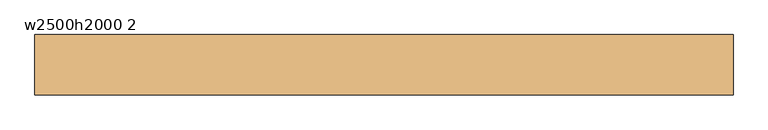
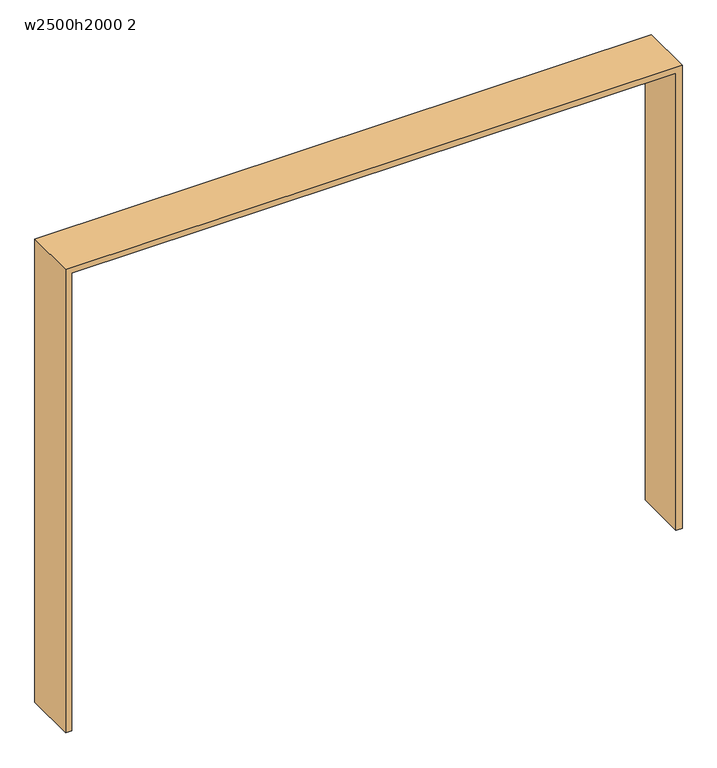
"""IFC4 building model written with IfcOpenShell, lengths in millimetres: door geometry, w2500h2000 2."""

from ifc_helpers import new_model, si_unit, frame, origin, place, context, project, spatial, polyline, outline, extrude, source, transform, mapped, element, save


def w2500h2000_2_3d9daec4(model_context):
    return source(origin(), model_context, "Body", "SweptSolid", [
        extrude(outline(polyline([(0.0, -1275.0), (0.0, -1250.0), (2000.0, -1250.0), (2000.0, 1250.0), (0.0, 1250.0), (0.0, 1275.0), (2025.0, 1275.0), (2025.0, -1275.0), (0.0, -1275.0)])), frame((0.0, -110.0, 0.0), z_axis=(0.0, 1.0, 0.0), x_axis=(0.0, 0.0, 1.0)), (0.0, 0.0, 1.0), 220.0),
    ])


if __name__ == "__main__":
    model = new_model("IFC4")
    model_context = context("Model", 3, world=origin())
    ifc_project = project(units=[si_unit("LENGTHUNIT", "METRE", prefix="MILLI")], contexts=[model_context])
    site = spatial("IfcSite", under=ifc_project)
    building = spatial("IfcBuilding", under=site)
    placement = place(None, origin())
    w2500h2000_2_shape = w2500h2000_2_3d9daec4(model_context)
    element("IfcDoor", 1, ObjectType="w2500h2000 2", at=placement, inside=building, context=model_context, shape_type="MappedRepresentation", body=[
        mapped(w2500h2000_2_shape, transform((0.0, 0.0, 0.0), x_axis=(1.0, 0.0, 0.0), y_axis=(0.0, 1.0, 0.0), z_axis=(0.0, 0.0, 1.0))),
    ])
    save(model, "model.ifc")
